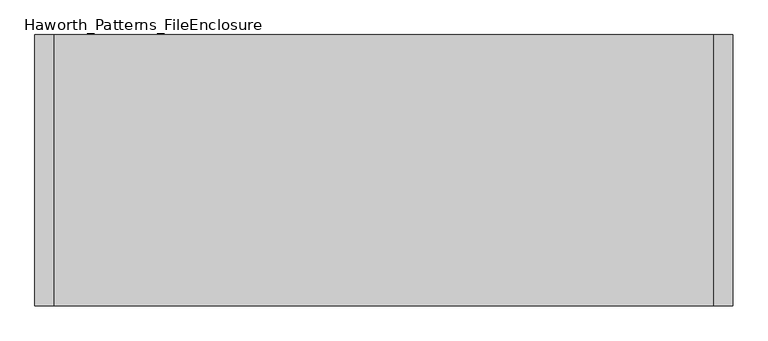
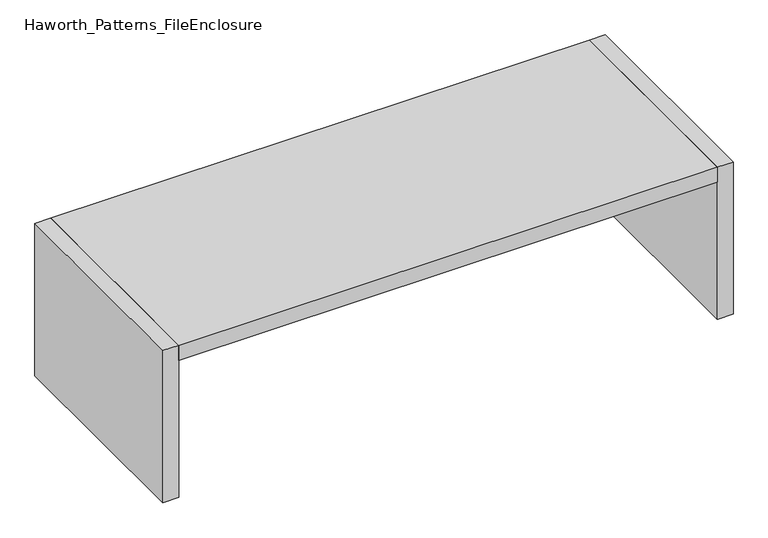
"""IFC4 building model written with IfcOpenShell, lengths in millimetres: furniture geometry, Haworth_Patterns_FileEnclosure."""

from ifc_helpers import new_model, si_unit, frame, origin, origin_with_axes, place, context, project, spatial, polyline, outline, extrude, source, transform, mapped, element, save


def haworth_patterns_fileenclosure_ca834555(model_context):
    return source(origin(), model_context, "Body", "SweptSolid", [
        extrude(outline(polyline([(1295.4, 0.0), (1295.4, -1066.8), (-1295.4, -1066.8), (-1295.4, 0.0), (1295.4, 0.0)])), frame((0.0, 0.0, 698.5), z_axis=(0.0, 0.0, 1.0), x_axis=(1.0, 0.0, 0.0)), (0.0, 0.0, 1.0), 76.2),
        extrude(outline(polyline([(1295.4, 0.0), (1371.6, 0.0), (1371.6, -1066.8), (1295.4, -1066.8), (1295.4, 0.0)])), origin_with_axes(), (0.0, 0.0, 1.0), 774.7),
        extrude(outline(polyline([(-1295.4, 0.0), (-1295.4, -1066.8), (-1371.6, -1066.8), (-1371.6, 0.0), (-1295.4, 0.0)])), origin_with_axes(), (0.0, 0.0, 1.0), 774.7),
    ])


if __name__ == "__main__":
    model = new_model("IFC4")
    model_context = context("Model", 3, world=origin())
    ifc_project = project(units=[si_unit("LENGTHUNIT", "METRE", prefix="MILLI")], contexts=[model_context])
    site = spatial("IfcSite", under=ifc_project)
    building = spatial("IfcBuilding", under=site)
    placement = place(None, origin())
    haworth_patterns_fileenclosure_shape = haworth_patterns_fileenclosure_ca834555(model_context)
    element("IfcFurniture", 1, ObjectType="Haworth_Patterns_FileEnclosure", at=placement, inside=building, context=model_context, shape_type="MappedRepresentation", body=[
        mapped(haworth_patterns_fileenclosure_shape, transform((0.0, 0.0, 0.0), x_axis=(1.0, 0.0, 0.0), y_axis=(0.0, 1.0, 0.0), z_axis=(0.0, 0.0, 1.0))),
    ])
    save(model, "model.ifc")
